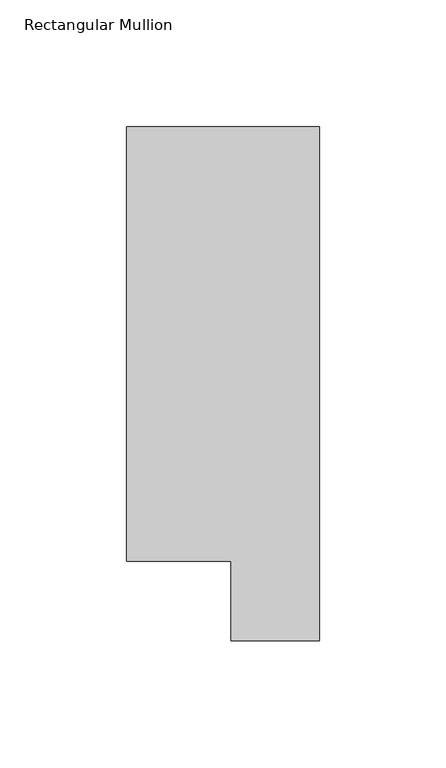
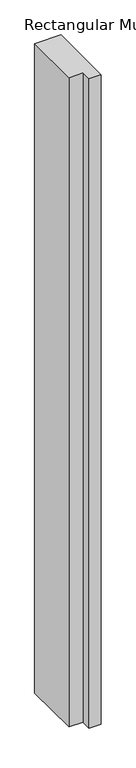
"""IFC4 building model written with IfcOpenShell, lengths in millimetres: member geometry, Rectangular Mullion."""

from ifc_helpers import new_model, si_unit, frame, origin, place, context, project, spatial, polyline, outline, extrude, source, transform, mapped, element, save


def rectangular_mullion_597b23f6(model_context):
    return source(origin(), model_context, "Body", "SweptSolid", [
        extrude(outline(polyline([(0.0, 222.5381312), (0.0, 19.5667313), (-34.9123, 19.5667313), (-34.9123, 50.820278), (-76.2, 50.820278), (-76.2, 222.5381312), (0.0, 222.5381312)])), frame((0.0, 0.0, -1993.8999999), z_axis=(0.0, 0.0, 1.0), x_axis=(1.0, 0.0, 0.0)), (0.0, 0.0, 1.0), 1993.8999999),
    ])


if __name__ == "__main__":
    model = new_model("IFC4")
    model_context = context("Model", 3, world=origin())
    ifc_project = project(units=[si_unit("LENGTHUNIT", "METRE", prefix="MILLI")], contexts=[model_context])
    site = spatial("IfcSite", under=ifc_project)
    building = spatial("IfcBuilding", under=site)
    placement = place(None, origin())
    rectangular_mullion_shape = rectangular_mullion_597b23f6(model_context)
    element("IfcMember", 1, ObjectType="Rectangular Mullion", at=placement, inside=building, context=model_context, shape_type="MappedRepresentation", body=[
        mapped(rectangular_mullion_shape, transform((0.0, 0.0, 0.0), x_axis=(1.0, 0.0, 0.0), y_axis=(0.0, 1.0, 0.0), z_axis=(0.0, 0.0, 1.0))),
    ])
    save(model, "model.ifc")
